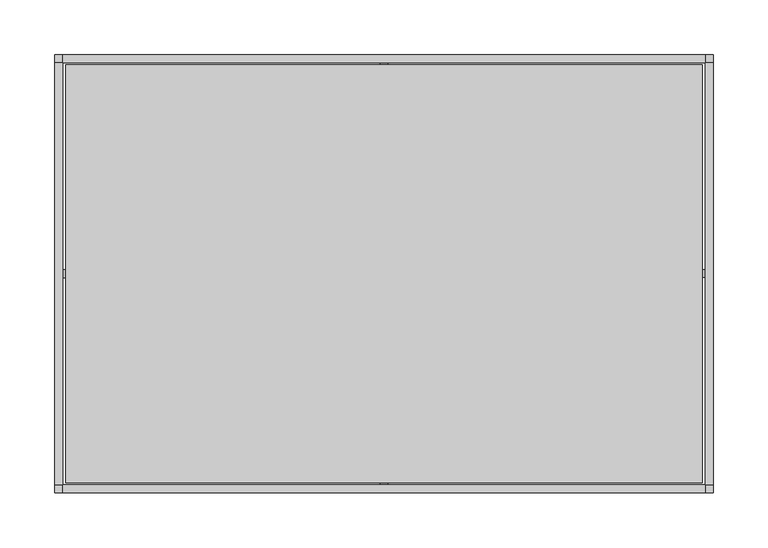
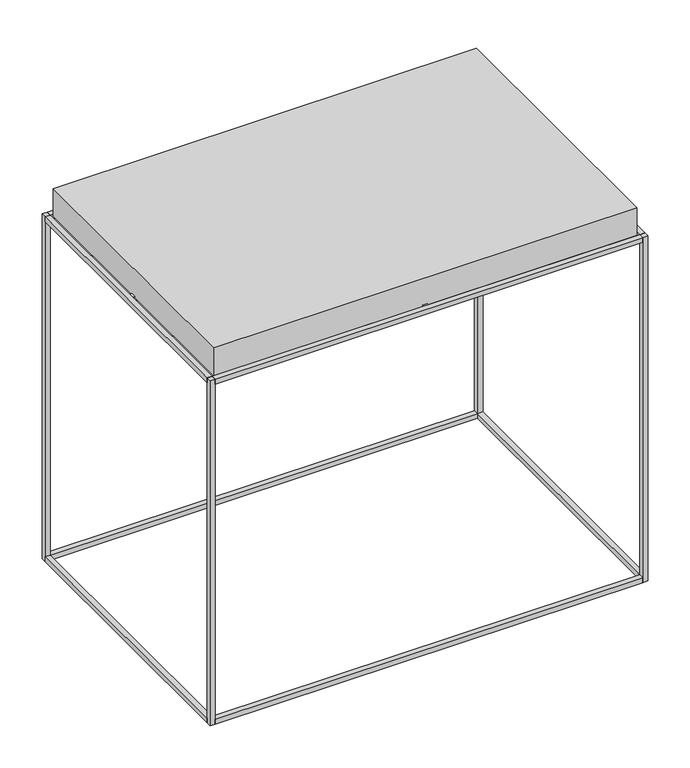
"""IFC4 building model written with IfcOpenShell, lengths in millimetres: furniture geometry."""

from ifc_helpers import new_model, si_unit, frame, origin, origin_with_axes, place, context, project, spatial, polyline, outline, extrude, source, transform, mapped, element, save


def furniture_cd3c90a6(model_context):
    return source(origin(), model_context, "Body", "SweptSolid", [
        extrude(outline(polyline([(293.0412701, 199.519887), (293.0412701, 192.4940644), (-293.039995, 192.4940644), (-293.039995, 199.519887), (293.0412701, 199.519887)])), frame((0.0, 0.0, 492.7828571), z_axis=(0.0, 0.0, 1.0), x_axis=(1.0, 0.0, 0.0)), (0.0, 0.0, 1.0), 6.9800245),
        extrude(outline(polyline([(293.0412701, -192.4940644), (293.0412701, -199.519887), (-293.039995, -199.519887), (-293.039995, -192.4940644), (293.0412701, -192.4940644)])), frame((0.0, 0.0, 492.7828571), z_axis=(0.0, 0.0, 1.0), x_axis=(1.0, 0.0, 0.0)), (0.0, 0.0, 1.0), 6.9800245),
        extrude(outline(polyline([(293.0412701, -192.4940644), (293.0412701, -199.519887), (-293.039995, -199.519887), (-293.039995, -192.4940644), (293.0412701, -192.4940644)])), origin_with_axes(), (0.0, 0.0, 1.0), 6.9800245),
        extrude(outline(polyline([(293.0412701, 199.519887), (293.0412701, 192.4940644), (-293.039995, 192.4940644), (-293.039995, 199.519887), (293.0412701, 199.519887)])), origin_with_axes(), (0.0, 0.0, 1.0), 6.9800245),
        extrude(outline(polyline([(-293.0412701, -192.4940644), (-300.0545062, -192.4940644), (-300.0545062, 192.4940644), (-293.0412701, 192.4940644), (-293.0412701, -192.4940644)])), frame((0.0, 0.0, 492.7828571), z_axis=(0.0, 0.0, 1.0), x_axis=(1.0, 0.0, 0.0)), (0.0, 0.0, 1.0), 6.9800245),
        extrude(outline(polyline([(300.0545062, -192.4940644), (293.0412701, -192.4940644), (293.0412701, 192.4940644), (300.0545062, 192.4940644), (300.0545062, -192.4940644)])), frame((0.0, 0.0, 492.7828571), z_axis=(0.0, 0.0, 1.0), x_axis=(1.0, 0.0, 0.0)), (0.0, 0.0, 1.0), 6.9800245),
        extrude(outline(polyline([(300.0545062, -192.4940644), (293.0412701, -192.4940644), (293.0412701, 192.4940644), (300.0545062, 192.4940644), (300.0545062, -192.4940644)])), origin_with_axes(), (0.0, 0.0, 1.0), 6.9800245),
        extrude(outline(polyline([(-293.0412701, -192.4940644), (-300.0545062, -192.4940644), (-300.0545062, 192.4940644), (-293.0412701, 192.4940644), (-293.0412701, -192.4940644)])), origin_with_axes(), (0.0, 0.0, 1.0), 6.9800245),
        extrude(outline(polyline([(-293.039995, 199.519887), (-293.039995, 192.4940644), (-300.0545062, 192.4940644), (-300.0545062, 199.519887), (-293.039995, 199.519887)])), origin_with_axes(), (0.0, 0.0, 1.0), 499.7628817),
        extrude(outline(polyline([(293.039995, 199.519887), (300.0545062, 199.519887), (300.0545062, 192.4940644), (293.039995, 192.4940644), (293.039995, 199.519887)])), origin_with_axes(), (0.0, 0.0, 1.0), 499.7628817),
        extrude(outline(polyline([(-293.039995, -199.519887), (-300.0545062, -199.519887), (-300.0545062, -192.4940644), (-293.039995, -192.4940644), (-293.039995, -199.519887)])), origin_with_axes(), (0.0, 0.0, 1.0), 499.7628817),
        extrude(outline(polyline([(293.039995, -199.519887), (293.039995, -192.4940644), (300.0545062, -192.4940644), (300.0545062, -199.519887), (293.039995, -199.519887)])), origin_with_axes(), (0.0, 0.0, 1.0), 499.7628817),
        extrude(outline(polyline([(-3.490002, 3.4900018), (-3.490002, 192.4940644), (3.490002, 192.4940644), (3.490002, 3.7629869), (293.0412701, 3.7629866), (293.0412701, -3.217017), (3.6352239, -3.2170173), (3.6352236, -192.4940644), (-3.3447802, -192.4940644), (-3.3447802, -3.490002), (-293.0412701, -3.4900018), (-293.0412701, 3.4900015), (-3.490002, 3.4900018)])), frame((0.0, 0.0, 492.7828571), z_axis=(0.0, 0.0, 1.0), x_axis=(1.0, 0.0, 0.0)), (0.0, 0.0, 1.0), 6.9800245),
        extrude(outline(polyline([(290.0991441, 190.3623358), (290.0991441, -190.3623358), (-290.0991441, -190.3623358), (-290.0991441, 190.3623358), (290.0991441, 190.3623358)])), frame((0.0, 0.0, 498.5006404), z_axis=(0.0, 0.0, 1.0), x_axis=(1.0, 0.0, 0.0)), (0.0, 0.0, 1.0), 39.999993),
    ])


if __name__ == "__main__":
    model = new_model("IFC4")
    model_context = context("Model", 3, world=origin())
    ifc_project = project(units=[si_unit("LENGTHUNIT", "METRE", prefix="MILLI")], contexts=[model_context])
    site = spatial("IfcSite", under=ifc_project)
    building = spatial("IfcBuilding", under=site)
    placement = place(None, origin())
    furniture_shape = furniture_cd3c90a6(model_context)
    element("IfcFurniture", 1, at=placement, inside=building, context=model_context, shape_type="MappedRepresentation", body=[
        mapped(furniture_shape, transform((0.0, 0.0, 0.0), x_axis=(1.0, 0.0, 0.0), y_axis=(0.0, 1.0, 0.0), z_axis=(0.0, 0.0, 1.0))),
    ])
    save(model, "model.ifc")
